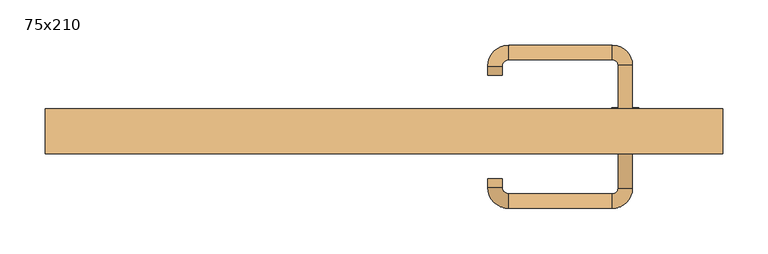
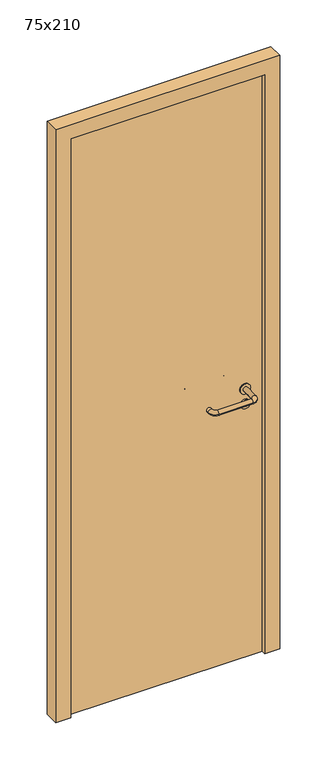
"""IFC4 building model written with IfcOpenShell, lengths in millimetres: door geometry, 75x210."""

from ifc_helpers import new_model, si_unit, point, frame, frame_2d, origin, origin_with_axes, place, context, project, spatial, polyline, circle_curve, ellipse_curve, trimmed, segment, composite_curve, outline, extrude, source, transform, mapped, element, save
from ifc_brep_helpers import plane_surface, cylinder_surface, revolved_surface, advanced_brep


def door_75x210_755e4485(model_context):
    return source(origin(), model_context, "Body", "SolidModel", [
        extrude(outline(composite_curve([segment(trimmed(circle_curve(frame_2d((897.3605726, 267.0)), 15.0), [point((897.3605726, 282.0))], [point((897.3605726, 252.0))], False, "CARTESIAN"), True, "CONTINUOUS"), segment(trimmed(circle_curve(frame_2d((897.3605726, 267.0)), 15.0), [point((897.3605726, 252.0))], [point((897.3605726, 282.0))], False, "CARTESIAN"), True, "CONTINUOUS")], self_intersect=False), holes=[composite_curve([segment(trimmed(circle_curve(frame_2d((892.5833211, 266.9398032)), 2.0), [point((892.5833211, 268.9398032))], [point((892.5833211, 264.9398032))], True, "CARTESIAN"), True, "CONTINUOUS"), segment(polyline([(892.5833211, 264.9398032), (902.5833211, 264.9398032)]), True, "CONTINUOUS"), segment(trimmed(circle_curve(frame_2d((902.5833211, 266.9398032)), 2.0), [point((902.5833211, 264.9398032))], [point((902.5833211, 268.9398032))], True, "CARTESIAN"), True, "CONTINUOUS"), segment(polyline([(902.5833211, 268.9398032), (892.5833211, 268.9398032)]), True, "CONTINUOUS")], self_intersect=False)]), frame((0.0, 18.65, 0.0), z_axis=(0.0, 1.0, 0.0), x_axis=(0.0, 0.0, 1.0)), (0.0, 0.0, 1.0), 6.35),
        extrude(outline(composite_curve([segment(trimmed(circle_curve(frame_2d((950.0, 267.0)), 17.526), [point((950.0, 284.526))], [point((950.0, 249.474))], False, "CARTESIAN"), True, "CONTINUOUS"), segment(trimmed(circle_curve(frame_2d((950.0, 267.0)), 17.526), [point((950.0, 249.474))], [point((950.0, 284.526))], False, "CARTESIAN"), True, "CONTINUOUS")], self_intersect=False)), frame((0.0, 21.825, 0.0), z_axis=(0.0, 1.0, 0.0), x_axis=(0.0, 0.0, 1.0)), (0.0, 0.0, 1.0), 3.175),
        advanced_brep(
        [(275.0, 25.0, 950.0), (259.0, 25.0, 950.0), (259.0, -28.0, 950.0), (275.0, -28.0, 950.0), (252.8578644, -34.1421356, 950.0), (252.8578644, -50.1421356, 950.0), (137.8578644, -34.1421356, 950.0), (137.8578644, -50.1421356, 950.0), (131.008622, -27.2928932, 950.0), (115.008622, -27.2928932, 950.0), (115.008622, -17.2928932, 950.0), (131.008622, -17.2928932, 950.0)],
        [
            (0, 1, circle_curve(frame((267.0, 25.0, 950.0), z_axis=(0.0, 1.0, 0.0), x_axis=(-1.0, 0.0, 0.0)), 8.0)),
            (1, 0, circle_curve(frame((267.0, 25.0, 950.0), z_axis=(0.0, 1.0, 0.0), x_axis=(-1.0, 0.0, 0.0)), 8.0)),
            (1, 2),
            (2, 3, circle_curve(frame((267.0, -28.0, 950.0), z_axis=(0.0, 1.0, 0.0), x_axis=(-1.0, 0.0, 0.0)), 8.0)),
            (3, 0),
            (3, 2, circle_curve(frame((267.0, -28.0, 950.0), z_axis=(0.0, 1.0, 0.0), x_axis=(-1.0, 0.0, 0.0)), 8.0)),
            (4, 5, circle_curve(frame((252.8578644, -42.1421356, 950.0), z_axis=(1.0, 0.0, 0.0), x_axis=(0.0, 1.0, 0.0)), 8.0)),
            (5, 3, circle_curve(frame((252.8578644, -28.0, 950.0), z_axis=(0.0, 0.0, 1.0), x_axis=(1.0, 0.0, 0.0)), 22.1421356)),
            (2, 4, circle_curve(frame((252.8578644, -28.0, 950.0), z_axis=(0.0, 0.0, -1.0), x_axis=(1.0, 0.0, 0.0)), 6.1421356)),
            (5, 4, circle_curve(frame((252.8578644, -42.1421356, 950.0), z_axis=(1.0, 0.0, 0.0), x_axis=(0.0, 1.0, 0.0)), 8.0)),
            (4, 6),
            (6, 7, circle_curve(frame((137.8578644, -42.1421356, 950.0), z_axis=(1.0, 0.0, 0.0), x_axis=(0.0, 1.0, 0.0)), 8.0)),
            (7, 5),
            (7, 6, circle_curve(frame((137.8578644, -42.1421356, 950.0), z_axis=(1.0, 0.0, 0.0), x_axis=(0.0, 1.0, 0.0)), 8.0)),
            (8, 9, circle_curve(frame((123.008622, -27.2928932, 950.0), z_axis=(0.0, -1.0, 0.0), x_axis=(1.0, 0.0, 0.0)), 8.0)),
            (9, 7, circle_curve(frame((137.8578644, -27.2928932, 950.0), z_axis=(0.0, 0.0, 1.0), x_axis=(0.0, -1.0, 0.0)), 22.8492424)),
            (6, 8, circle_curve(frame((137.8578644, -27.2928932, 950.0), z_axis=(0.0, 0.0, -1.0), x_axis=(0.0, -1.0, 0.0)), 6.8492424)),
            (9, 8, circle_curve(frame((123.008622, -27.2928932, 950.0), z_axis=(0.0, -1.0, 0.0), x_axis=(1.0, 0.0, 0.0)), 8.0)),
            (10, 11, circle_curve(frame((123.008622, -17.2928932, 950.0), z_axis=(0.0, 1.0, 0.0), x_axis=(1.0, 0.0, 0.0)), 8.0)),
            (11, 10, circle_curve(frame((123.008622, -17.2928932, 950.0), z_axis=(0.0, 1.0, 0.0), x_axis=(1.0, 0.0, 0.0)), 8.0)),
            (8, 11),
            (10, 9),
        ],
        [
            plane_surface(frame((267.0, 25.0, 170.0), z_axis=(0.0, 1.0, 0.0), x_axis=(0.0, 0.0, 1.0))),
            cylinder_surface(frame((267.0, 25.0, 950.0), z_axis=(0.0, 1.0, 0.0), x_axis=(-1.0, 0.0, 0.0)), 8.0),
            revolved_surface(trimmed(ellipse_curve(frame((267.0, -28.0, 950.0), z_axis=(0.0, -1.0, 0.0), x_axis=(-1.0, 0.0, 0.0)), 8.0, 8.0), [point((275.0, -28.0, 950.0))], [point((259.0, -28.0, 950.0))], True, "CARTESIAN"), (252.8578644, -28.0, 170.0), (0.0, 0.0, 1.0)),
            revolved_surface(trimmed(ellipse_curve(frame((267.0, -28.0, 950.0), z_axis=(0.0, -1.0, 0.0), x_axis=(-1.0, 0.0, 0.0)), 8.0, 8.0), [point((259.0, -28.0, 950.0))], [point((275.0, -28.0, 950.0))], True, "CARTESIAN"), (252.8578644, -28.0, 170.0), (0.0, 0.0, 1.0)),
            cylinder_surface(frame((252.8578644, -42.1421356, 950.0), z_axis=(1.0, 0.0, 0.0), x_axis=(0.0, 1.0, 0.0)), 8.0),
            revolved_surface(trimmed(ellipse_curve(frame((137.8578644, -42.1421356, 950.0), z_axis=(-1.0, 0.0, 0.0), x_axis=(0.0, 1.0, 0.0)), 8.0, 8.0), [point((137.8578644, -50.1421356, 950.0))], [point((137.8578644, -34.1421356, 950.0))], True, "CARTESIAN"), (137.8578644, -27.2928932, 170.0), (0.0, 0.0, 1.0)),
            revolved_surface(trimmed(ellipse_curve(frame((137.8578644, -42.1421356, 950.0), z_axis=(-1.0, 0.0, 0.0), x_axis=(0.0, 1.0, 0.0)), 8.0, 8.0), [point((137.8578644, -34.1421356, 950.0))], [point((137.8578644, -50.1421356, 950.0))], True, "CARTESIAN"), (137.8578644, -27.2928932, 170.0), (0.0, 0.0, 1.0)),
            plane_surface(frame((123.008622, -17.2928932, 170.0), z_axis=(0.0, 1.0, 0.0), x_axis=(0.0, 0.0, 1.0))),
            cylinder_surface(frame((123.008622, -27.2928932, 950.0), z_axis=(0.0, -1.0, 0.0), x_axis=(1.0, 0.0, 0.0)), 8.0),
        ],
        [
            (0, [[1, 2]]),
            (1, [[3, 4, 5, -2]]),
            (1, [[-5, 6, -3, -1]]),
            (2, [[7, 8, -4, 9]]),
            (3, [[10, -9, -6, -8]]),
            (4, [[11, 12, 13, -7]]),
            (4, [[-13, 14, -11, -10]]),
            (5, [[15, 16, -12, 17]]),
            (6, [[18, -17, -14, -16]]),
            (7, [[19, 20]]),
            (8, [[21, -19, 22, -15]]),
            (8, [[-22, -20, -21, -18]]),
        ],
    ),
        extrude(outline(composite_curve([segment(trimmed(circle_curve(frame_2d((0.0, -15.0)), 15.0), [point((0.0, -30.0))], [point((0.0, 0.0))], False, "CARTESIAN"), True, "CONTINUOUS"), segment(trimmed(circle_curve(frame_2d((0.0, -15.0)), 15.0), [point((0.0, 0.0))], [point((0.0, -30.0))], False, "CARTESIAN"), True, "CONTINUOUS")], self_intersect=False), holes=[composite_curve([segment(trimmed(circle_curve(frame_2d((4.7772515, -14.9398032)), 2.0), [point((4.7772515, -16.9398032))], [point((4.7772515, -12.9398032))], True, "CARTESIAN"), True, "CONTINUOUS"), segment(polyline([(4.7772515, -12.9398032), (-5.2227485, -12.9398032)]), True, "CONTINUOUS"), segment(trimmed(circle_curve(frame_2d((-5.2227485, -14.9398032)), 2.0), [point((-5.2227485, -12.9398032))], [point((-5.2227485, -16.9398032))], True, "CARTESIAN"), True, "CONTINUOUS"), segment(polyline([(-5.2227485, -16.9398032), (4.7772515, -16.9398032)]), True, "CONTINUOUS")], self_intersect=False)]), frame((252.0, 55.0, 897.3605726), z_axis=(1.8870575173328306e-12, 1.0, 0.0), x_axis=(0.0, 0.0, -1.0)), (0.0, 0.0, 1.0), 6.35),
        extrude(outline(composite_curve([segment(trimmed(circle_curve(frame_2d((0.0, -17.526)), 17.526), [point((0.0, -35.052))], [point((0.0, 0.0))], False, "CARTESIAN"), True, "CONTINUOUS"), segment(trimmed(circle_curve(frame_2d((0.0, -17.526)), 17.526), [point((0.0, 0.0))], [point((0.0, -35.052))], False, "CARTESIAN"), True, "CONTINUOUS")], self_intersect=False)), frame((249.474, 55.0, 950.0), z_axis=(1.8870575173328306e-12, 1.0, 0.0), x_axis=(0.0, 0.0, -1.0)), (0.0, 0.0, 1.0), 3.175),
        advanced_brep(
        [(275.0, 55.0, 950.0), (259.0, 55.0, 950.0), (275.0, 108.0, 950.0), (259.0, 108.0, 950.0), (252.8578644, 114.1421356, 950.0), (252.8578644, 130.1421356, 950.0), (137.8578644, 130.1421356, 950.0), (137.8578644, 114.1421356, 950.0), (131.008622, 107.2928932, 950.0), (115.008622, 107.2928932, 950.0), (115.008622, 97.2928932, 950.0), (131.008622, 97.2928932, 950.0)],
        [
            (0, 1, circle_curve(frame((267.0, 55.0, 950.0), z_axis=(-1.888672253512351e-12, -1.0, 0.0), x_axis=(-1.0, 1.888672253512351e-12, 0.0)), 8.0)),
            (1, 0, circle_curve(frame((267.0, 55.0, 950.0), z_axis=(-1.888672253512351e-12, -1.0, 0.0), x_axis=(-1.0, 1.888672253512351e-12, 0.0)), 8.0)),
            (0, 2),
            (2, 3, circle_curve(frame((267.0, 108.0, 950.0), z_axis=(-1.888672253512351e-12, -1.0, 0.0), x_axis=(-1.0, 1.888672253512351e-12, 0.0)), 8.0)),
            (3, 1),
            (3, 2, circle_curve(frame((267.0, 108.0, 950.0), z_axis=(-1.888672253512351e-12, -1.0, 0.0), x_axis=(-1.0, 1.888672253512351e-12, 0.0)), 8.0)),
            (4, 3, circle_curve(frame((252.8578644, 108.0, 950.0), z_axis=(0.0, 0.0, -1.0), x_axis=(1.0, -1.880717803715015e-12, 0.0)), 6.1421356)),
            (2, 5, circle_curve(frame((252.8578644, 108.0, 950.0), z_axis=(0.0, 0.0, 1.0), x_axis=(1.0, -1.880717803715015e-12, 0.0)), 22.1421356)),
            (5, 4, circle_curve(frame((252.8578644, 122.1421356, 950.0), z_axis=(1.0, -1.913702061528922e-12, 0.0), x_axis=(-1.913702061528922e-12, -1.0, 0.0)), 8.0)),
            (4, 5, circle_curve(frame((252.8578644, 122.1421356, 950.0), z_axis=(1.0, -1.913702061528922e-12, 0.0), x_axis=(-1.913702061528922e-12, -1.0, 0.0)), 8.0)),
            (5, 6),
            (6, 7, circle_curve(frame((137.8578644, 122.1421356, 950.0), z_axis=(1.0, -1.913719828541269e-12, 0.0), x_axis=(-1.913719828541269e-12, -1.0, 0.0)), 8.0)),
            (7, 4),
            (7, 6, circle_curve(frame((137.8578644, 122.1421356, 950.0), z_axis=(1.0, -1.913719828541269e-12, 0.0), x_axis=(-1.913719828541269e-12, -1.0, 0.0)), 8.0)),
            (8, 7, circle_curve(frame((137.8578644, 107.2928932, 950.0), z_axis=(0.0, 0.0, -1.0), x_axis=(1.9120873253494017e-12, 1.0, 0.0)), 6.8492424)),
            (6, 9, circle_curve(frame((137.8578644, 107.2928932, 950.0), z_axis=(0.0, 0.0, 1.0), x_axis=(1.9120873253494017e-12, 1.0, 0.0)), 22.8492424)),
            (9, 8, circle_curve(frame((123.008622, 107.2928932, 950.0), z_axis=(1.890670654956676e-12, 1.0, 0.0), x_axis=(1.0, -1.890670654956676e-12, 0.0)), 8.0)),
            (8, 9, circle_curve(frame((123.008622, 107.2928932, 950.0), z_axis=(1.890226565746826e-12, 1.0, 0.0), x_axis=(1.0, -1.890226565746826e-12, 0.0)), 8.0)),
            (10, 11, circle_curve(frame((123.008622, 97.2928932, 950.0), z_axis=(-1.8903642334018795e-12, -1.0, 0.0), x_axis=(1.0, -1.8903642334018795e-12, 0.0)), 8.0)),
            (11, 10, circle_curve(frame((123.008622, 97.2928932, 950.0), z_axis=(-1.8903642334018795e-12, -1.0, 0.0), x_axis=(1.0, -1.8903642334018795e-12, 0.0)), 8.0)),
            (9, 10),
            (11, 8),
        ],
        [
            plane_surface(frame((267.0, 55.0, 170.0), z_axis=(-1.8870575173328306e-12, -1.0, 0.0), x_axis=(0.0, 0.0, 1.0))),
            cylinder_surface(frame((267.0, 55.0, 950.0), z_axis=(-1.888672253512351e-12, -1.0, 0.0), x_axis=(-1.0, 1.888672253512351e-12, 0.0)), 8.0),
            revolved_surface(trimmed(ellipse_curve(frame((267.0, 108.0, 950.0), z_axis=(-1.8823325398945356e-12, -1.0, 0.0), x_axis=(-1.0, 1.8823325398945356e-12, 0.0)), 8.0, 8.0), [point((275.0, 108.0, 950.0))], [point((259.0, 108.0, 950.0))], True, "CARTESIAN"), (252.8578644, 108.0, 170.0), (0.0, 0.0, 1.0)),
            revolved_surface(trimmed(ellipse_curve(frame((267.0, 108.0, 950.0), z_axis=(-1.8823325398945356e-12, -1.0, 0.0), x_axis=(-1.0, 1.8823325398945356e-12, 0.0)), 8.0, 8.0), [point((259.0, 108.0, 950.0))], [point((275.0, 108.0, 950.0))], True, "CARTESIAN"), (252.8578644, 108.0, 170.0), (0.0, 0.0, 1.0)),
            cylinder_surface(frame((252.8578644, 122.1421356, 950.0), z_axis=(1.0, -1.913719828541269e-12, 0.0), x_axis=(-1.913719828541269e-12, -1.0, 0.0)), 8.0),
            revolved_surface(trimmed(ellipse_curve(frame((137.8578644, 122.1421356, 950.0), z_axis=(1.0, -1.913702061528922e-12, 0.0), x_axis=(-1.913702061528922e-12, -1.0, 0.0)), 8.0, 8.0), [point((137.8578644, 130.1421356, 950.0))], [point((137.8578644, 114.1421356, 950.0))], True, "CARTESIAN"), (137.8578644, 107.2928932, 170.0), (0.0, 0.0, 1.0)),
            revolved_surface(trimmed(ellipse_curve(frame((137.8578644, 122.1421356, 950.0), z_axis=(1.0, -1.913702061528922e-12, 0.0), x_axis=(-1.913702061528922e-12, -1.0, 0.0)), 8.0, 8.0), [point((137.8578644, 114.1421356, 950.0))], [point((137.8578644, 130.1421356, 950.0))], True, "CARTESIAN"), (137.8578644, 107.2928932, 170.0), (0.0, 0.0, 1.0)),
            plane_surface(frame((123.008622, 97.2928932, 170.0), z_axis=(-1.8887494972223595e-12, -1.0, 0.0), x_axis=(0.0, 0.0, 1.0))),
            cylinder_surface(frame((123.008622, 107.2928932, 950.0), z_axis=(1.8903642334018795e-12, 1.0, 0.0), x_axis=(1.0, -1.8903642334018795e-12, 0.0)), 8.0),
        ],
        [
            (0, [[1, 2]]),
            (1, [[-1, 3, 4, 5]]),
            (1, [[-2, -5, 6, -3]]),
            (2, [[7, -4, 8, 9]]),
            (3, [[-8, -6, -7, 10]]),
            (4, [[-9, 11, 12, 13]]),
            (4, [[-10, -13, 14, -11]]),
            (5, [[15, -12, 16, 17]]),
            (6, [[-16, -14, -15, 18]]),
            (7, [[19, 20]]),
            (8, [[-17, 21, -20, 22]]),
            (8, [[-18, -22, -19, -21]]),
        ],
    ),
        extrude(outline(polyline([(2050.0, 325.0), (0.0, 325.0), (0.0, 375.0), (2100.0, 375.0), (2100.0, -375.0), (0.0, -375.0), (0.0, -325.0), (2050.0, -325.0), (2050.0, 325.0)])), frame((0.0, 10.0, 0.0), z_axis=(0.0, 1.0, 0.0), x_axis=(0.0, 0.0, 1.0)), (0.0, 0.0, 1.0), 50.0),
        extrude(outline(polyline([(-325.0, 55.0), (325.0, 55.0), (325.0, 25.0), (-325.0, 25.0), (-325.0, 55.0)])), origin_with_axes(), (0.0, 0.0, 1.0), 2050.0),
    ])


if __name__ == "__main__":
    model = new_model("IFC4")
    model_context = context("Model", 3, world=origin())
    ifc_project = project(units=[si_unit("LENGTHUNIT", "METRE", prefix="MILLI")], contexts=[model_context])
    site = spatial("IfcSite", under=ifc_project)
    building = spatial("IfcBuilding", under=site)
    placement = place(None, origin())
    door_75x210_shape = door_75x210_755e4485(model_context)
    element("IfcDoor", 1, ObjectType="75x210", at=placement, inside=building, context=model_context, shape_type="MappedRepresentation", body=[
        mapped(door_75x210_shape, transform((0.0, 0.0, 0.0), x_axis=(1.0, 0.0, 0.0), y_axis=(0.0, 1.0, 0.0), z_axis=(0.0, 0.0, 1.0))),
    ])
    save(model, "model.ifc")
